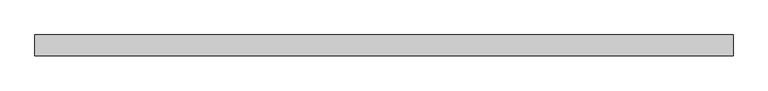
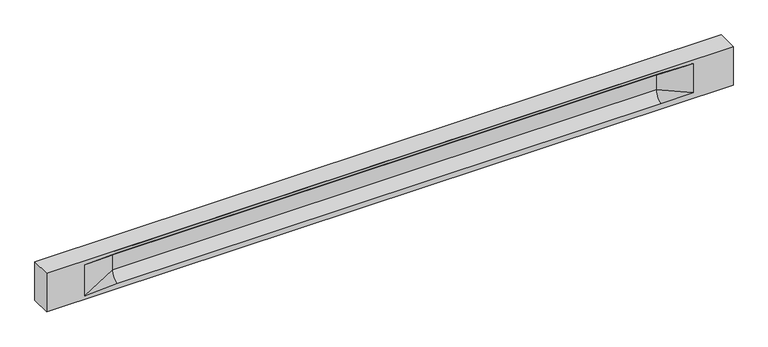
"""IFC4 building model written with IfcOpenShell, lengths in millimetres: beam geometry."""

from ifc_helpers import new_model, si_unit, frame, origin, place, context, project, spatial, polyline, circle_curve, source, transform, mapped, element, save
from ifc_brep_helpers import plane_surface, revolved_surface, spline_surface, advanced_brep


def beam_91af6b66(model_context):
    return source(origin(), model_context, "Body", "AdvancedBrep", [
        advanced_brep(
        [(8430.0, -250.0, 500.0), (8430.0, -250.0, -500.0), (8430.0, 250.0, -500.0), (8430.0, 250.0, 500.0), (-8430.0, -250.0, 500.0), (-8430.0, -250.0, -500.0), (7455.0, -250.0, -362.0), (6655.0, -250.0, -360.0), (-6700.0, -250.0, -360.0), (-7500.0, -250.0, -400.0), (-7500.0, -250.0, 400.0), (-6700.0, -250.0, 435.0), (6655.0, -250.0, 435.0), (7455.0, -250.0, 400.0), (-8430.0, 250.0, -500.0), (-8430.0, 250.0, 500.0), (7455.0, 250.0, 400.0), (6655.0, 250.0, 435.0), (-6700.0, 250.0, 435.0), (-7500.0, 250.0, 400.0), (-7500.0, 250.0, -400.0), (-6700.0, 250.0, -360.0), (6655.0, 250.0, -360.0), (7455.0, 250.0, -362.0), (6655.0, 155.0, 405.0), (-6700.0, 155.0, 405.0), (6655.0, 60.0, 262.777021), (-6700.0, 60.0, 262.777021), (6655.0, 60.0, -120.0), (-6700.0, 60.0, -120.0), (6655.0, -60.0, -120.0), (-6700.0, -60.0, -120.0), (6655.0, -60.0, 262.777021), (-6700.0, -60.0, 262.777021), (6655.0, -155.0, 405.0), (-6700.0, -155.0, 405.0)],
        [
            (0, 1),
            (1, 2),
            (2, 3),
            (3, 0),
            (0, 4),
            (4, 5),
            (5, 1),
            (6, 7),
            (7, 8),
            (8, 9),
            (9, 10),
            (10, 11),
            (11, 12),
            (12, 13),
            (13, 6),
            (5, 14),
            (14, 2),
            (14, 15),
            (15, 3),
            (16, 17),
            (17, 18),
            (18, 19),
            (19, 20),
            (20, 21),
            (21, 22),
            (22, 23),
            (23, 16),
            (15, 4),
            (17, 24),
            (24, 25),
            (25, 18),
            (24, 26, circle_curve(frame((6655.0, 213.9598725, 262.777021), z_axis=(1.0, 0.0, 0.0), x_axis=(0.0, 1.0, 0.0)), 153.9598725)),
            (26, 27),
            (27, 25, circle_curve(frame((-6700.0, 213.9598725, 262.777021), z_axis=(-1.0, 0.0, 0.0), x_axis=(0.0, 1.0, 0.0)), 153.9598725)),
            (26, 28),
            (28, 29),
            (29, 27),
            (28, 22, circle_curve(frame((6655.0, 306.5789474, -120.0), z_axis=(1.0, 0.0, 0.0), x_axis=(0.0, 1.0, 0.0)), 246.5789474)),
            (21, 29, circle_curve(frame((-6700.0, 306.5789474, -120.0), z_axis=(-1.0, 0.0, 0.0), x_axis=(0.0, 1.0, 0.0)), 246.5789474)),
            (7, 30, circle_curve(frame((6655.0, -306.5789474, -120.0), z_axis=(1.0, 0.0, 0.0), x_axis=(0.0, 1.0, 0.0)), 246.5789474)),
            (30, 31),
            (31, 8, circle_curve(frame((-6700.0, -306.5789474, -120.0), z_axis=(-1.0, 0.0, 0.0), x_axis=(0.0, 1.0, 0.0)), 246.5789474)),
            (30, 32),
            (32, 33),
            (33, 31),
            (32, 34, circle_curve(frame((6655.0, -213.9598725, 262.777021), z_axis=(1.0, 0.0, 0.0), x_axis=(0.0, 1.0, 0.0)), 153.9598725)),
            (34, 35),
            (35, 33, circle_curve(frame((-6700.0, -213.9598725, 262.777021), z_axis=(-1.0, 0.0, 0.0), x_axis=(0.0, 1.0, 0.0)), 153.9598725)),
            (34, 12),
            (11, 35),
            (27, 19),
            (19, 25),
            (10, 35),
            (10, 33),
            (9, 31),
            (20, 29),
            (34, 13),
            (32, 13),
            (30, 6),
            (28, 23),
            (26, 16),
            (24, 16),
        ],
        [
            plane_surface(frame((8430.0, 0.0, 0.0), z_axis=(1.0, 0.0, 0.0), x_axis=(0.0, 0.0, 1.0))),
            plane_surface(frame((8430.0, -250.0, 500.0), z_axis=(0.0, -1.0, 0.0), x_axis=(-1.0, 0.0, 0.0))),
            plane_surface(frame((8430.0, -250.0, -500.0), z_axis=(0.0, 0.0, -1.0), x_axis=(-1.0, 0.0, 0.0))),
            plane_surface(frame((8430.0, 250.0, -500.0), z_axis=(0.0, 1.0, 0.0), x_axis=(-1.0, 0.0, 0.0))),
            plane_surface(frame((8430.0, 250.0, 500.0), z_axis=(0.0, 0.0, 1.0), x_axis=(-1.0, 0.0, 0.0))),
            plane_surface(frame((-6700.0, 250.0, 435.0), z_axis=(0.0, 0.30113136793710954, -0.9535826651341378), x_axis=(1.0, 0.0, 0.0))),
            revolved_surface(polyline([(6655.0, 367.919745, 262.777021), (-6700.0, 367.919745, 262.777021)]), (-6700.0, 213.9598725, 262.777021), (1.0, 0.0, 0.0)),
            plane_surface(frame((-6700.0, 60.0, 262.777021), z_axis=(0.0, 1.0, 0.0), x_axis=(1.0, 0.0, 0.0))),
            revolved_surface(polyline([(6655.0, 553.1578948, -120.0), (-6700.0, 553.1578948, -120.0)]), (-6700.0, 306.5789474, -120.0), (1.0, 0.0, 0.0)),
            revolved_surface(polyline([(6655.0, -60.0, -120.0), (-6700.0, -60.0, -120.0)]), (-6700.0, -306.5789474, -120.0), (1.0, 0.0, 0.0)),
            plane_surface(frame((-6700.0, -60.0, -120.0), z_axis=(0.0, -1.0, 0.0), x_axis=(1.0, 0.0, 0.0))),
            revolved_surface(polyline([(6655.0, -60.0, 262.777021), (-6700.0, -60.0, 262.777021)]), (-6700.0, -213.9598725, 262.777021), (1.0, 0.0, 0.0)),
            plane_surface(frame((-6700.0, -155.0, 405.0), z_axis=(0.0, -0.30113136793710693, -0.9535826651341387), x_axis=(1.0, 0.0, 0.0))),
            spline_surface(2, 1, [[(-7500.0, 250.0, 400.0), (-6700.0, 60.0, 262.777021)], [(-7500.0, 250.0, 400.0), (-6700.0, 59.99999995452379, 365.6168572954922)], [(-7500.0, 250.0, 400.0), (-6700.0, 155.0, 405.0)]], [3, 3], [2, 2], [0.0, 1.0], [0.0, 1.0], weights=[[1.0, 1.0], [0.8315515921160737, 0.8315515921160737], [1.0, 1.0]]),
            plane_surface(frame((-7500.0, 250.0, 400.0), z_axis=(0.04168298285568759, 0.30086965068766386, -0.9527538938442265), x_axis=(0.0, 0.9535826651341378, 0.30113136793710954))),
            plane_surface(frame((-7500.0, -250.0, 400.0), z_axis=(0.041682982855687625, -0.30086965068766125, -0.9527538938442274), x_axis=(0.0, 0.9535826651341387, -0.30113136793710693))),
            spline_surface(2, 1, [[(-7500.0, -250.0, 400.0), (-6700.0, -155.0, 405.0)], [(-7500.0, -250.0, 400.0), (-6700.0, -60.00000008030692, 365.6168572114734)], [(-7500.0, -250.0, 400.0), (-6700.0, -60.0, 262.777021)]], [3, 3], [2, 2], [0.0, 1.0], [0.0, 1.0], weights=[[1.0, 1.0], [0.8315515924557569, 0.8315515924557569], [1.0, 1.0]]),
            plane_surface(frame((-7500.0, -250.0, 0.0), z_axis=(0.2310724307958988, -0.9729365507195599, 0.0), x_axis=(0.0, 0.0, -1.0))),
            spline_surface(2, 1, [[(-7500.0, -250.0, -400.0), (-6700.0, -60.0, -120.0)], [(-7500.0, -250.0, -400.0), (-6700.0, -59.99999998020837, -315.20833333333337)], [(-7500.0, -250.0, -400.0), (-6700.0, -250.0, -360.0)]], [3, 3], [2, 2], [0.0, 1.0], [0.0, 1.0], weights=[[1.0, 1.0], [0.7840458244617614, 0.7840458244617614], [1.0, 1.0]]),
            spline_surface(2, 1, [[(-7500.0, 250.0, -400.0), (-6700.0, 250.0, -360.0)], [(-7500.0, 250.0, -400.0), (-6700.0, 60.00000002887427, -315.20833329480604)], [(-7500.0, 250.0, -400.0), (-6700.0, 60.0, -120.0)]], [3, 3], [2, 2], [0.0, 1.0], [0.0, 1.0], weights=[[1.0, 1.0], [0.7840458245391329, 0.7840458245391329], [1.0, 1.0]]),
            plane_surface(frame((-7500.0, 250.0, 0.0), z_axis=(0.23107243079589448, 0.9729365507195609, 0.0), x_axis=(0.0, 0.0, 1.0))),
            plane_surface(frame((-8430.0, 0.0, 0.0), z_axis=(-1.0, 0.0, 0.0), x_axis=(0.0, 0.0, 1.0))),
            plane_surface(frame((6655.0, -202.5, 420.0), z_axis=(-0.041682982855687396, -0.30086965068766125, -0.9527538938442274), x_axis=(0.0, 0.9535826651341387, -0.30113136793710693))),
            spline_surface(2, 1, [[(6655.0, -155.0, 405.0), (7455.0, -250.0, 400.0)], [(6655.0, -60.00000008030692, 365.6168572114734), (7455.0, -250.0, 400.0)], [(6655.0, -60.0, 262.777021), (7455.0, -250.0, 400.0)]], [3, 3], [2, 2], [0.0, 1.0], [0.0, 1.0], weights=[[1.0, 1.0], [0.8315515924557569, 0.8315515924557569], [1.0, 1.0]]),
            plane_surface(frame((6655.0, -60.0, 71.3885105), z_axis=(-0.23107243079589707, -0.9729365507195603, 0.0), x_axis=(0.0, 0.0, -1.0))),
            spline_surface(2, 1, [[(6655.0, -60.0, -120.0), (7455.0, -250.0, -362.0)], [(6655.0, -59.99999998020837, -315.20833333333337), (7455.0, -250.0, -362.0)], [(6655.0, -250.0, -360.0), (7455.0, -250.0, -362.0)]], [3, 3], [2, 2], [0.0, 1.0], [0.0, 1.0], weights=[[1.0, 1.0], [0.7840458244617614, 0.7840458244617614], [1.0, 1.0]]),
            spline_surface(2, 1, [[(6655.0, 250.0, -360.0), (7455.0, 250.0, -362.0)], [(6655.0, 60.00000002887427, -315.20833329480604), (7455.0, 250.0, -362.0)], [(6655.0, 60.0, -120.0), (7455.0, 250.0, -362.0)]], [3, 3], [2, 2], [0.0, 1.0], [0.0, 1.0], weights=[[1.0, 1.0], [0.7840458245391329, 0.7840458245391329], [1.0, 1.0]]),
            plane_surface(frame((6655.0, 60.0, 71.3885105), z_axis=(-0.23107243079589063, 0.9729365507195618, 0.0), x_axis=(0.0, 0.0, 1.0))),
            spline_surface(2, 1, [[(6655.0, 60.0, 262.777021), (7455.0, 250.0, 400.0)], [(6655.0, 59.99999995452379, 365.6168572954922), (7455.0, 250.0, 400.0)], [(6655.0, 155.0, 405.0), (7455.0, 250.0, 400.0)]], [3, 3], [2, 2], [0.0, 1.0], [0.0, 1.0], weights=[[1.0, 1.0], [0.8315515921160737, 0.8315515921160737], [1.0, 1.0]]),
            plane_surface(frame((6655.0, 202.5, 420.0), z_axis=(-0.04168298285568666, 0.30086965068766386, -0.9527538938442265), x_axis=(0.0, 0.9535826651341378, 0.30113136793710954))),
        ],
        [
            (0, [[1, 2, 3, 4]]),
            (1, [[-1, 5, 6, 7], [8, 9, 10, 11, 12, 13, 14, 15]]),
            (2, [[-2, -7, 16, 17]]),
            (3, [[-3, -17, 18, 19], [20, 21, 22, 23, 24, 25, 26, 27]]),
            (4, [[-5, -4, -19, 28]]),
            (5, [[-21, 29, 30, 31]]),
            (6, [[-30, 32, 33, 34]]),
            (7, [[-33, 35, 36, 37]]),
            (8, [[-36, 38, -25, 39]]),
            (9, [[-9, 40, 41, 42]]),
            (10, [[-41, 43, 44, 45]]),
            (11, [[-44, 46, 47, 48]]),
            (12, [[-47, 49, -13, 50]]),
            (13, [[51, 52, -34]]),
            (14, [[-52, -22, -31]]),
            (15, [[-12, 53, -50]]),
            (16, [[-53, 54, -48]]),
            (17, [[-54, -11, 55, -45]]),
            (18, [[-55, -10, -42]]),
            (19, [[-24, 56, -39]]),
            (20, [[-51, -37, -56, -23]]),
            (21, [[-28, -18, -16, -6]]),
            (22, [[-14, -49, 57]]),
            (23, [[-57, -46, 58]]),
            (24, [[-58, -43, 59, -15]]),
            (25, [[-59, -40, -8]]),
            (26, [[-26, -38, 60]]),
            (27, [[-60, -35, 61, -27]]),
            (28, [[-61, -32, 62]]),
            (29, [[-62, -29, -20]]),
        ],
    ),
    ])


if __name__ == "__main__":
    model = new_model("IFC4")
    model_context = context("Model", 3, world=origin())
    ifc_project = project(units=[si_unit("LENGTHUNIT", "METRE", prefix="MILLI")], contexts=[model_context])
    site = spatial("IfcSite", under=ifc_project)
    building = spatial("IfcBuilding", under=site)
    placement = place(None, origin())
    beam_shape = beam_91af6b66(model_context)
    element("IfcBeam", 1, at=placement, inside=building, context=model_context, shape_type="MappedRepresentation", body=[
        mapped(beam_shape, transform((0.0, 0.0, 0.0), x_axis=(1.0, 0.0, 0.0), y_axis=(0.0, 1.0, 0.0), z_axis=(0.0, 0.0, 1.0))),
    ])
    save(model, "model.ifc")
